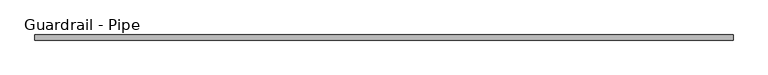
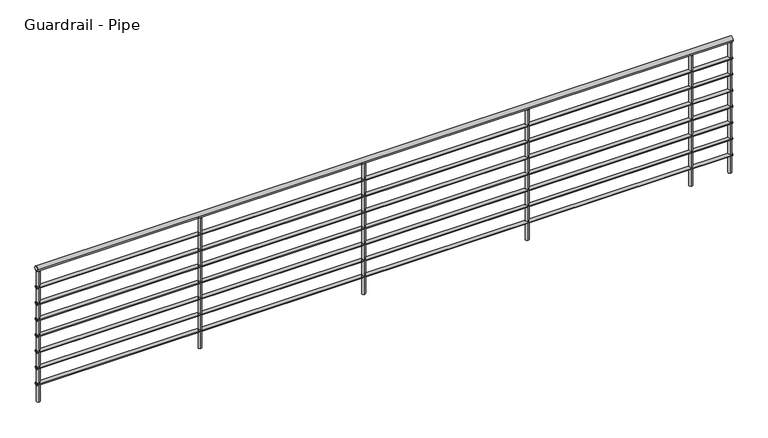
"""IFC4 building model written with IfcOpenShell, lengths in millimetres: railing geometry, Guardrail - Pipe."""

from ifc_helpers import new_model, si_unit, point, frame, frame_2d, origin, origin_with_axes, place, context, project, spatial, circle_curve, trimmed, segment, composite_curve, outline, extrude, source, transform, mapped, element, save


def guardrail_pipe_b5aee1dd(model_context):
    return source(origin(), model_context, "Body", "SweptSolid", [
        extrude(outline(composite_curve([segment(trimmed(circle_curve(frame_2d((35560.8919962, 1047.75)), 19.05), [point((35579.9419962, 1047.75))], [point((35541.8419962, 1047.75))], False, "CARTESIAN"), True, "CONTINUOUS"), segment(trimmed(circle_curve(frame_2d((35560.8919962, 1047.75)), 19.05), [point((35541.8419962, 1047.75))], [point((35579.9419962, 1047.75))], False, "CARTESIAN"), True, "CONTINUOUS")], self_intersect=False)), frame((-26378.6798455, 0.0, 0.0), z_axis=(1.0, 0.0, 0.0), x_axis=(0.0, 1.0, 0.0)), (0.0, 0.0, 1.0), 5181.6),
        extrude(outline(composite_curve([segment(trimmed(circle_curve(frame_2d((35560.8919962, 901.7)), 12.7), [point((35573.5919962, 901.7))], [point((35548.1919962, 901.7))], False, "CARTESIAN"), True, "CONTINUOUS"), segment(trimmed(circle_curve(frame_2d((35560.8919962, 901.7)), 12.7), [point((35548.1919962, 901.7))], [point((35573.5919962, 901.7))], False, "CARTESIAN"), True, "CONTINUOUS")], self_intersect=False)), frame((-26378.6798455, 0.0, 0.0), z_axis=(1.0, 0.0, 0.0), x_axis=(0.0, 1.0, 0.0)), (0.0, 0.0, 1.0), 5181.6),
        extrude(outline(composite_curve([segment(trimmed(circle_curve(frame_2d((35560.8919962, 774.7)), 12.7), [point((35573.5919962, 774.7))], [point((35548.1919962, 774.7))], False, "CARTESIAN"), True, "CONTINUOUS"), segment(trimmed(circle_curve(frame_2d((35560.8919962, 774.7)), 12.7), [point((35548.1919962, 774.7))], [point((35573.5919962, 774.7))], False, "CARTESIAN"), True, "CONTINUOUS")], self_intersect=False)), frame((-26378.6798455, 0.0, 0.0), z_axis=(1.0, 0.0, 0.0), x_axis=(0.0, 1.0, 0.0)), (0.0, 0.0, 1.0), 5181.6),
        extrude(outline(composite_curve([segment(trimmed(circle_curve(frame_2d((35560.8919962, 647.7)), 12.7), [point((35573.5919962, 647.7))], [point((35548.1919962, 647.7))], False, "CARTESIAN"), True, "CONTINUOUS"), segment(trimmed(circle_curve(frame_2d((35560.8919962, 647.7)), 12.7), [point((35548.1919962, 647.7))], [point((35573.5919962, 647.7))], False, "CARTESIAN"), True, "CONTINUOUS")], self_intersect=False)), frame((-26378.6798455, 0.0, 0.0), z_axis=(1.0, 0.0, 0.0), x_axis=(0.0, 1.0, 0.0)), (0.0, 0.0, 1.0), 5181.6),
        extrude(outline(composite_curve([segment(trimmed(circle_curve(frame_2d((35560.8919962, 520.7)), 12.7), [point((35573.5919962, 520.7))], [point((35548.1919962, 520.7))], False, "CARTESIAN"), True, "CONTINUOUS"), segment(trimmed(circle_curve(frame_2d((35560.8919962, 520.7)), 12.7), [point((35548.1919962, 520.7))], [point((35573.5919962, 520.7))], False, "CARTESIAN"), True, "CONTINUOUS")], self_intersect=False)), frame((-26378.6798455, 0.0, 0.0), z_axis=(1.0, 0.0, 0.0), x_axis=(0.0, 1.0, 0.0)), (0.0, 0.0, 1.0), 5181.6),
        extrude(outline(composite_curve([segment(trimmed(circle_curve(frame_2d((35560.8919962, 393.7)), 12.7), [point((35573.5919962, 393.7))], [point((35548.1919962, 393.7))], False, "CARTESIAN"), True, "CONTINUOUS"), segment(trimmed(circle_curve(frame_2d((35560.8919962, 393.7)), 12.7), [point((35548.1919962, 393.7))], [point((35573.5919962, 393.7))], False, "CARTESIAN"), True, "CONTINUOUS")], self_intersect=False)), frame((-26378.6798455, 0.0, 0.0), z_axis=(1.0, 0.0, 0.0), x_axis=(0.0, 1.0, 0.0)), (0.0, 0.0, 1.0), 5181.6),
        extrude(outline(composite_curve([segment(trimmed(circle_curve(frame_2d((35560.8919962, 266.7)), 12.7), [point((35573.5919962, 266.7))], [point((35548.1919962, 266.7))], False, "CARTESIAN"), True, "CONTINUOUS"), segment(trimmed(circle_curve(frame_2d((35560.8919962, 266.7)), 12.7), [point((35548.1919962, 266.7))], [point((35573.5919962, 266.7))], False, "CARTESIAN"), True, "CONTINUOUS")], self_intersect=False)), frame((-26378.6798455, 0.0, 0.0), z_axis=(1.0, 0.0, 0.0), x_axis=(0.0, 1.0, 0.0)), (0.0, 0.0, 1.0), 5181.6),
        extrude(outline(composite_curve([segment(trimmed(circle_curve(frame_2d((35560.8919962, 139.7)), 12.7), [point((35573.5919962, 139.7))], [point((35548.1919962, 139.7))], False, "CARTESIAN"), True, "CONTINUOUS"), segment(trimmed(circle_curve(frame_2d((35560.8919962, 139.7)), 12.7), [point((35548.1919962, 139.7))], [point((35573.5919962, 139.7))], False, "CARTESIAN"), True, "CONTINUOUS")], self_intersect=False)), frame((-26378.6798455, 0.0, 0.0), z_axis=(1.0, 0.0, 0.0), x_axis=(0.0, 1.0, 0.0)), (0.0, 0.0, 1.0), 5181.6),
        extrude(outline(composite_curve([segment(trimmed(circle_curve(frame_2d((-21501.8798455, 35560.8919962)), 12.7), [point((-21501.8798455, 35573.5919962))], [point((-21501.8798455, 35548.1919962))], False, "CARTESIAN"), True, "CONTINUOUS"), segment(trimmed(circle_curve(frame_2d((-21501.8798455, 35560.8919962)), 12.7), [point((-21501.8798455, 35548.1919962))], [point((-21501.8798455, 35573.5919962))], False, "CARTESIAN"), True, "CONTINUOUS")], self_intersect=False)), origin_with_axes(), (0.0, 0.0, 1.0), 1028.7),
        extrude(outline(composite_curve([segment(trimmed(circle_curve(frame_2d((-22721.0798455, 35560.8919962)), 12.7), [point((-22721.0798455, 35573.5919962))], [point((-22721.0798455, 35548.1919962))], False, "CARTESIAN"), True, "CONTINUOUS"), segment(trimmed(circle_curve(frame_2d((-22721.0798455, 35560.8919962)), 12.7), [point((-22721.0798455, 35548.1919962))], [point((-22721.0798455, 35573.5919962))], False, "CARTESIAN"), True, "CONTINUOUS")], self_intersect=False)), origin_with_axes(), (0.0, 0.0, 1.0), 1028.7),
        extrude(outline(composite_curve([segment(trimmed(circle_curve(frame_2d((-23940.2798455, 35560.8919962)), 12.7), [point((-23940.2798455, 35573.5919962))], [point((-23940.2798455, 35548.1919962))], False, "CARTESIAN"), True, "CONTINUOUS"), segment(trimmed(circle_curve(frame_2d((-23940.2798455, 35560.8919962)), 12.7), [point((-23940.2798455, 35548.1919962))], [point((-23940.2798455, 35573.5919962))], False, "CARTESIAN"), True, "CONTINUOUS")], self_intersect=False)), origin_with_axes(), (0.0, 0.0, 1.0), 1028.7),
        extrude(outline(composite_curve([segment(trimmed(circle_curve(frame_2d((-25159.4798455, 35560.8919962)), 12.7), [point((-25159.4798455, 35573.5919962))], [point((-25159.4798455, 35548.1919962))], False, "CARTESIAN"), True, "CONTINUOUS"), segment(trimmed(circle_curve(frame_2d((-25159.4798455, 35560.8919962)), 12.7), [point((-25159.4798455, 35548.1919962))], [point((-25159.4798455, 35573.5919962))], False, "CARTESIAN"), True, "CONTINUOUS")], self_intersect=False)), origin_with_axes(), (0.0, 0.0, 1.0), 1028.7),
        extrude(outline(composite_curve([segment(trimmed(circle_curve(frame_2d((-21209.7798455, 35560.8919962)), 12.7), [point((-21209.7798455, 35573.5919962))], [point((-21209.7798455, 35548.1919962))], False, "CARTESIAN"), True, "CONTINUOUS"), segment(trimmed(circle_curve(frame_2d((-21209.7798455, 35560.8919962)), 12.7), [point((-21209.7798455, 35548.1919962))], [point((-21209.7798455, 35573.5919962))], False, "CARTESIAN"), True, "CONTINUOUS")], self_intersect=False)), origin_with_axes(), (0.0, 0.0, 1.0), 1028.7),
        extrude(outline(composite_curve([segment(trimmed(circle_curve(frame_2d((-26365.9798455, 35560.8919962)), 12.7), [point((-26365.9798455, 35573.5919962))], [point((-26365.9798455, 35548.1919962))], False, "CARTESIAN"), True, "CONTINUOUS"), segment(trimmed(circle_curve(frame_2d((-26365.9798455, 35560.8919962)), 12.7), [point((-26365.9798455, 35548.1919962))], [point((-26365.9798455, 35573.5919962))], False, "CARTESIAN"), True, "CONTINUOUS")], self_intersect=False)), origin_with_axes(), (0.0, 0.0, 1.0), 1028.7),
    ])


if __name__ == "__main__":
    model = new_model("IFC4")
    model_context = context("Model", 3, world=origin())
    ifc_project = project(units=[si_unit("LENGTHUNIT", "METRE", prefix="MILLI")], contexts=[model_context])
    site = spatial("IfcSite", under=ifc_project)
    building = spatial("IfcBuilding", under=site)
    placement = place(None, origin())
    guardrail_pipe_shape = guardrail_pipe_b5aee1dd(model_context)
    element("IfcRailing", 1, ObjectType="Guardrail - Pipe", at=placement, inside=building, context=model_context, shape_type="MappedRepresentation", body=[
        mapped(guardrail_pipe_shape, transform((0.0, 0.0, 0.0), x_axis=(1.0, 0.0, 0.0), y_axis=(0.0, 1.0, 0.0), z_axis=(0.0, 0.0, 1.0))),
    ])
    save(model, "model.ifc")
